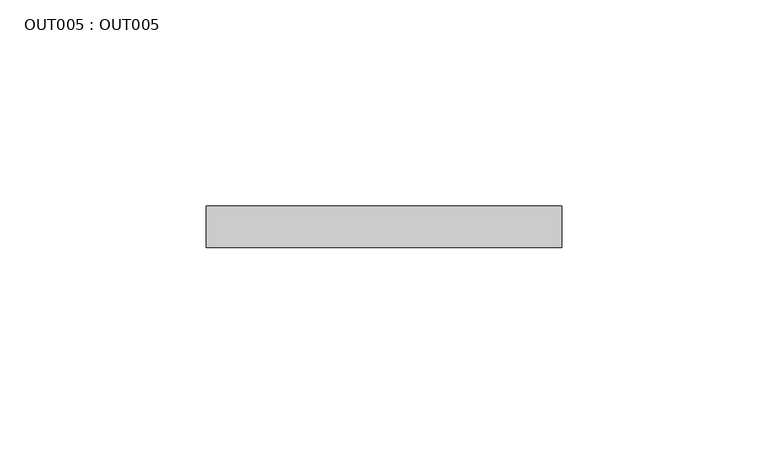
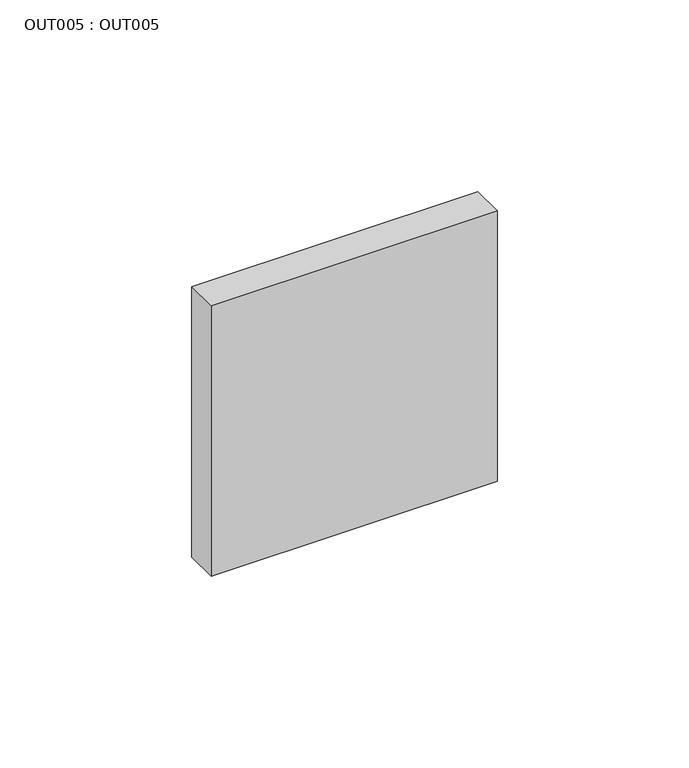
"""IFC4 building model written with IfcOpenShell, lengths in millimetres: proxy geometry, OUT005 : OUT005."""

from ifc_helpers import new_model, si_unit, frame, origin, place, context, project, spatial, polyline, outline, extrude, source, transform, mapped, element, save


def out005_out005_bcfc6e14(model_context):
    return source(origin(), model_context, "Body", "SweptSolid", [
        extrude(outline(polyline([(43.0000007, 0.0), (43.0000007, -10.0000005), (-43.0000007, -10.0000005), (-43.0000007, 0.0), (43.0000007, 0.0)])), frame((0.0, 0.0, -43.0000007), z_axis=(0.0, 0.0, 1.0), x_axis=(1.0, 0.0, 0.0)), (0.0, 0.0, 1.0), 86.0000014),
    ])


if __name__ == "__main__":
    model = new_model("IFC4")
    model_context = context("Model", 3, world=origin())
    ifc_project = project(units=[si_unit("LENGTHUNIT", "METRE", prefix="MILLI")], contexts=[model_context])
    site = spatial("IfcSite", under=ifc_project)
    building = spatial("IfcBuilding", under=site)
    placement = place(None, origin())
    out005_out005_shape = out005_out005_bcfc6e14(model_context)
    element("IfcBuildingElementProxy", 1, Name="OUT005 : OUT005", ObjectType="OUT005 : OUT005", at=placement, inside=building, context=model_context, shape_type="MappedRepresentation", body=[
        mapped(out005_out005_shape, transform((0.0, 0.0, 0.0), x_axis=(1.0, 0.0, 0.0), y_axis=(0.0, 1.0, 0.0), z_axis=(0.0, 0.0, 1.0))),
    ])
    save(model, "model.ifc")
